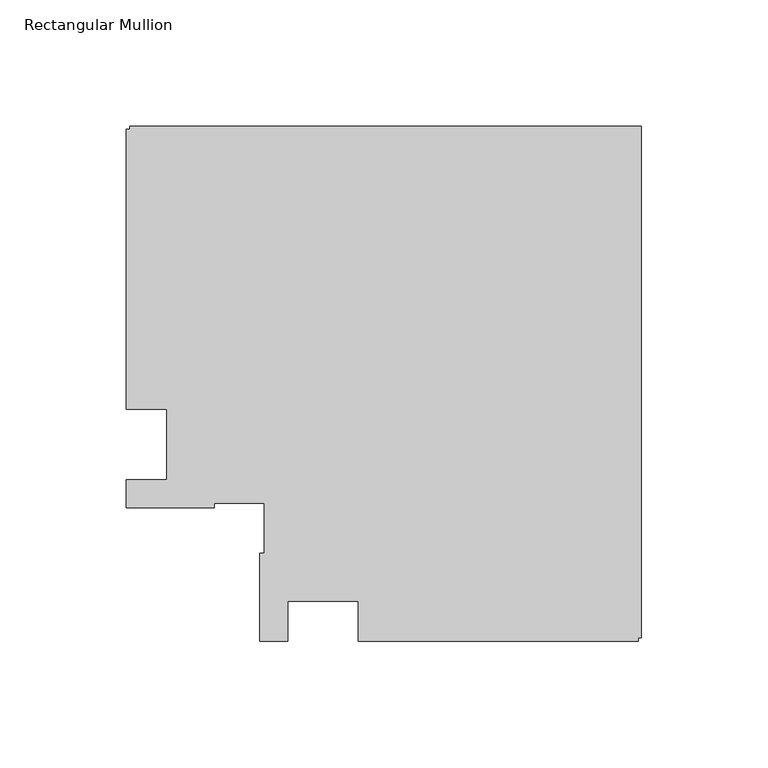
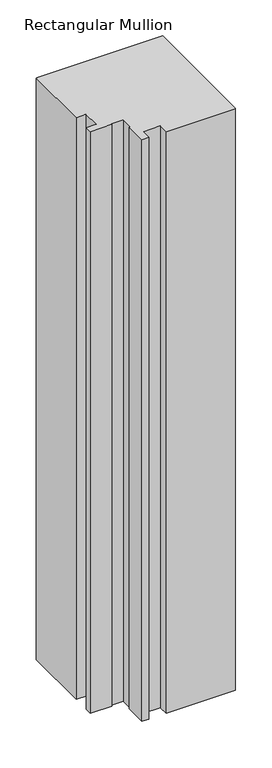
"""IFC4 building model written with IfcOpenShell, lengths in millimetres: member geometry, Rectangular Mullion."""

import ifcopenshell
import ifcopenshell.guid

model = None  # the IFC model being written
_history = None  # IfcOwnerHistory: only IFC2X3 demands one
_inside = {}  # id of a spatial element -> (the spatial element, [elements in it])
_under = {}  # id of a project, library or spatial element -> (it, [spatial elements below it])
_declared = {}  # id of a project -> (the project, [libraries it declares])
_typed = {}  # id of a type object -> (the type object, [elements of that type])
_made_of = {}  # id of a material, layer set ... -> (it, [elements and type objects made of it])


def new_model(schema):
    """Start an empty IFC model of exactly this schema.

    Asked for "IFC4X3", IfcOpenShell would pick the latest addendum, in which some entities
    have other attributes; the version numbers below select the first issue.
    IFC2X3 requires an IfcOwnerHistory on every rooted entity: one is made here for all.
    """
    global model, _history
    if schema == "IFC4X3":
        model = ifcopenshell.file(schema_version=(4, 3, 0, 0))
    else:
        model = ifcopenshell.file(schema=schema)
    _inside.clear()
    _under.clear()
    _declared.clear()
    _typed.clear()
    _made_of.clear()
    _history = None
    if model.schema == "IFC2X3":
        org = make("IfcOrganization", Name="unknown")
        user = make(
            "IfcPersonAndOrganization",
            ThePerson=make("IfcPerson", FamilyName="unknown"),
            TheOrganization=org,
        )
        app = make(
            "IfcApplication",
            ApplicationDeveloper=org,
            Version="unknown",
            ApplicationFullName="unknown",
            ApplicationIdentifier="unknown",
        )
        _history = make(
            "IfcOwnerHistory",
            OwningUser=user,
            OwningApplication=app,
            ChangeAction="ADDED",
            CreationDate=0,
        )
    return model


def make(cls, **values):
    """One entity of the class cls with the attributes given. An attribute that is None is left unset."""
    return model.create_entity(
        cls, **{name: value for name, value in values.items() if value is not None}
    )


def rooted(cls, **values):
    """An entity with a GlobalId (a new one), such as an element, a storey or a relation."""
    return make(cls, GlobalId=ifcopenshell.guid.new(), OwnerHistory=_history, **values)


def si_unit(unit_type, name, prefix=None):
    """IfcSIUnit, for example si_unit("LENGTHUNIT", "METRE", prefix="MILLI")."""
    return make("IfcSIUnit", UnitType=unit_type, Prefix=prefix, Name=name)


def assignment(units):
    """IfcUnitAssignment: the units of a project."""
    return None if units is None else make("IfcUnitAssignment", Units=units)


def point(xyz):
    """IfcCartesianPoint."""
    return None if xyz is None else make("IfcCartesianPoint", Coordinates=xyz)


def direction(xyz):
    """IfcDirection."""
    return None if xyz is None else make("IfcDirection", DirectionRatios=xyz)


def frame(location, z_axis=None, x_axis=None):
    """IfcAxis2Placement3D, a coordinate frame: its origin and axes. An axis left out is left unset."""
    return make(
        "IfcAxis2Placement3D",
        Location=point(location),
        Axis=direction(z_axis),
        RefDirection=direction(x_axis),
    )


def origin():
    """The frame at (0, 0, 0) with its axes left unset."""
    return frame((0.0, 0.0, 0.0))


def place(relative_to, where):
    """IfcLocalPlacement: puts the frame where relative to a parent placement (None: the world)."""
    return make(
        "IfcLocalPlacement", PlacementRelTo=relative_to, RelativePlacement=where
    )


def context(
    kind, dimensions, precision=None, world=None, true_north=None, identifier=None
):
    """IfcGeometricRepresentationContext, for example the 3D "Model" context."""
    return make(
        "IfcGeometricRepresentationContext",
        ContextIdentifier=identifier,
        ContextType=kind,
        CoordinateSpaceDimension=dimensions,
        Precision=precision,
        WorldCoordinateSystem=world,
        TrueNorth=true_north,
    )


def project(units=None, contexts=None):
    """IfcProject with its units and contexts."""
    return rooted(
        "IfcProject",
        Name="project",
        RepresentationContexts=contexts,
        UnitsInContext=assignment(units),
    )


def spatial(cls, under=None, at=None, **own):
    """A site, building, storey or space (cls), placed at a placement, below another one or the project."""
    s = rooted(cls, ObjectPlacement=at, **own)
    if under is not None:
        _under.setdefault(under.id(), (under, []))[1].append(s)
    return s


def polyline(points):
    """IfcPolyline through the points."""
    return make("IfcPolyline", Points=[point(p) for p in points])


def outline(outer, holes=None, kind="AREA"):
    """IfcArbitraryClosedProfileDef: a profile drawn as a closed curve; with holes, ...WithVoids."""
    if holes is None:
        return make("IfcArbitraryClosedProfileDef", ProfileType=kind, OuterCurve=outer)
    return make(
        "IfcArbitraryProfileDefWithVoids",
        ProfileType=kind,
        OuterCurve=outer,
        InnerCurves=holes,
    )


def extrude(swept, where, along, depth):
    """IfcExtrudedAreaSolid: the profile swept, set in the frame where, extruded along a direction by depth."""
    return make(
        "IfcExtrudedAreaSolid",
        SweptArea=swept,
        Position=where,
        ExtrudedDirection=direction(along),
        Depth=depth,
    )


def shape(context_of_items, identifier, shape_type, items):
    """IfcShapeRepresentation: the items that make up one representation, for example the "Body"."""
    return make(
        "IfcShapeRepresentation",
        ContextOfItems=context_of_items,
        RepresentationIdentifier=identifier,
        RepresentationType=shape_type,
        Items=items,
    )


def source(mapping_origin, context_of_items, identifier, shape_type, items):
    """IfcRepresentationMap: a shape defined once, which mapped items show again and again."""
    return make(
        "IfcRepresentationMap",
        MappingOrigin=mapping_origin,
        MappedRepresentation=shape(context_of_items, identifier, shape_type, items),
    )


def transform(
    local_origin,
    x_axis=None,
    y_axis=None,
    z_axis=None,
    scale=None,
    scale2=None,
    scale3=None,
    uniform=True,
):
    """IfcCartesianTransformationOperator3D, or its non-uniform kind. x_axis, y_axis, z_axis: its Axis1, 2, 3."""
    if uniform:
        return make(
            "IfcCartesianTransformationOperator3D",
            Axis1=direction(x_axis),
            Axis2=direction(y_axis),
            LocalOrigin=point(local_origin),
            Scale=scale,
            Axis3=direction(z_axis),
        )
    return make(
        "IfcCartesianTransformationOperator3DnonUniform",
        Axis1=direction(x_axis),
        Axis2=direction(y_axis),
        LocalOrigin=point(local_origin),
        Scale=scale,
        Axis3=direction(z_axis),
        Scale2=scale2,
        Scale3=scale3,
    )


def mapped(mapping_source, mapping_target):
    """IfcMappedItem: shows the shape of a source again, moved by a transform."""
    return make(
        "IfcMappedItem", MappingSource=mapping_source, MappingTarget=mapping_target
    )


def made_of(thing, what):
    """Note that an element or type object is made of a material, layer set ...; save() writes the relation."""
    if what is not None:
        _made_of.setdefault(what.id(), (what, []))[1].append(thing)
    return thing


def element(
    cls,
    number,
    at=None,
    inside=None,
    cuts=None,
    type_object=None,
    material=None,
    context=None,
    identifier="Body",
    shape_type=None,
    held_by="IfcProductDefinitionShape",
    body=None,
    shapes=None,
    **own,
):
    """One element of the class cls, such as IfcWall. Its Tag is "e" and its number.

    at: its placement. inside: the storey or other place that contains it. cuts: it is an
    opening in that element (IfcRelVoidsElement). A single representation is given by context,
    identifier, shape_type and body (its items); several are given by shapes. held_by: the class
    of the entity that holds the representations. save() writes the other relations.
    """
    e = rooted(cls, Tag="e%d" % number, ObjectPlacement=at, **own)
    if body is not None:
        shapes = [shape(context, identifier, shape_type, body)]
    if shapes is not None:
        e.Representation = make(held_by, Representations=shapes)
    if inside is not None:
        _inside.setdefault(inside.id(), (inside, []))[1].append(e)
    if cuts is not None:
        rooted(
            "IfcRelVoidsElement", RelatingBuildingElement=cuts, RelatedOpeningElement=e
        )
    if type_object is not None:
        _typed.setdefault(type_object.id(), (type_object, []))[1].append(e)
    return made_of(e, material)


def aggregate(whole, parts):
    """IfcRelAggregates: a whole, such as a stair, and the parts it consists of."""
    return rooted("IfcRelAggregates", RelatingObject=whole, RelatedObjects=parts)


def save(model, path):
    """Write the relations noted so far, then the file.

    IfcRelAggregates (storeys below a building ...), IfcRelContainedInSpatialStructure (elements
    in a storey), IfcRelDefinesByType, IfcRelAssociatesMaterial and IfcRelDeclares: one each for
    every whole, place, type object, material and project.
    """
    for whole, parts in _under.values():
        aggregate(whole, parts)
    for where, things in _inside.values():
        rooted(
            "IfcRelContainedInSpatialStructure",
            RelatedElements=things,
            RelatingStructure=where,
        )
    for kind, things in _typed.values():
        rooted("IfcRelDefinesByType", RelatedObjects=things, RelatingType=kind)
    for what, things in _made_of.values():
        rooted("IfcRelAssociatesMaterial", RelatedObjects=things, RelatingMaterial=what)
    for by, libraries in _declared.values():
        rooted("IfcRelDeclares", RelatingContext=by, RelatedDefinitions=libraries)
    model.write(path)


def rectangular_mullion_a466234b(model_context):
    return source(origin(), model_context, "Body", "SweptSolid", [
        extrude(outline(polyline([(-112.2039366, -78.0481273), (-112.2039366, -62.0480986), (-140.2039366, -62.0480986), (-140.2039366, -78.0480986), (-151.2040012, -78.0480986), (-151.2040012, -43.0481011), (-149.5136517, -43.0481011), (-149.5136517, -23.3589699), (-169.2039146, -23.3589699), (-169.2039146, -25.0481206), (-204.2039408, -25.0481206), (-204.2039408, -14.0481206), (-188.2039146, -14.0481206), (-188.2039146, 13.95177), (-204.2039408, 13.95177), (-204.2039408, 124.9518583), (-202.703958, 124.9518583), (-202.703958, 126.155816), (0.0, 126.155816), (0.0, -76.548142), (-1.2039366, -76.548142), (-1.2039366, -78.0481273), (-112.2039366, -78.0481273)])), frame((0.0, 0.0, -990.6595328), z_axis=(0.0, 0.0, 1.0), x_axis=(1.0, 0.0, 0.0)), (0.0, 0.0, 1.0), 990.6595328),
    ])


if __name__ == "__main__":
    model = new_model("IFC4")
    model_context = context("Model", 3, world=origin())
    ifc_project = project(units=[si_unit("LENGTHUNIT", "METRE", prefix="MILLI")], contexts=[model_context])
    site = spatial("IfcSite", under=ifc_project)
    building = spatial("IfcBuilding", under=site)
    placement = place(None, origin())
    rectangular_mullion_shape = rectangular_mullion_a466234b(model_context)
    element("IfcMember", 1, ObjectType="Rectangular Mullion", at=placement, inside=building, context=model_context, shape_type="MappedRepresentation", body=[
        mapped(rectangular_mullion_shape, transform((0.0, 0.0, 0.0), x_axis=(1.0, 0.0, 0.0), y_axis=(0.0, 1.0, 0.0), z_axis=(0.0, 0.0, 1.0))),
    ])
    save(model, "model.ifc")
